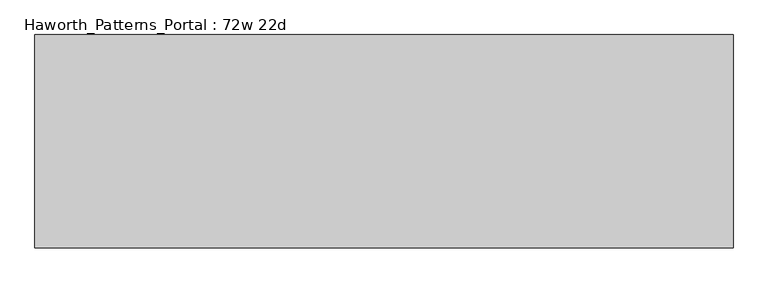
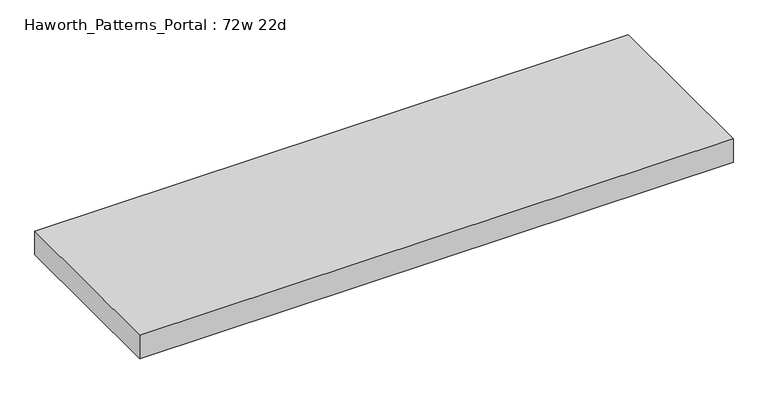
"""IFC4 building model written with IfcOpenShell, lengths in millimetres: furniture geometry, Haworth_Patterns_Portal : 72w 22d."""

from ifc_helpers import new_model, si_unit, frame, origin, place, context, project, spatial, polyline, outline, extrude, source, transform, mapped, element, save


def haworth_patterns_portal_72w_22d_83f64cc9(model_context):
    return source(origin(), model_context, "Body", "SweptSolid", [
        extrude(outline(polyline([(914.4, 279.4), (914.4, -279.4), (-914.4, -279.4), (-914.4, 279.4), (914.4, 279.4)])), frame((0.0, 0.0, 2349.5), z_axis=(0.0, 0.0, 1.0), x_axis=(1.0, 0.0, 0.0)), (0.0, 0.0, 1.0), 76.2),
    ])


if __name__ == "__main__":
    model = new_model("IFC4")
    model_context = context("Model", 3, world=origin())
    ifc_project = project(units=[si_unit("LENGTHUNIT", "METRE", prefix="MILLI")], contexts=[model_context])
    site = spatial("IfcSite", under=ifc_project)
    building = spatial("IfcBuilding", under=site)
    placement = place(None, origin())
    haworth_patterns_portal_72w_22d_shape = haworth_patterns_portal_72w_22d_83f64cc9(model_context)
    element("IfcFurniture", 1, ObjectType="Haworth_Patterns_Portal : 72w 22d", at=placement, inside=building, context=model_context, shape_type="MappedRepresentation", body=[
        mapped(haworth_patterns_portal_72w_22d_shape, transform((0.0, 0.0, 0.0), x_axis=(1.0, 0.0, 0.0), y_axis=(0.0, 1.0, 0.0), z_axis=(0.0, 0.0, 1.0))),
    ])
    save(model, "model.ifc")
